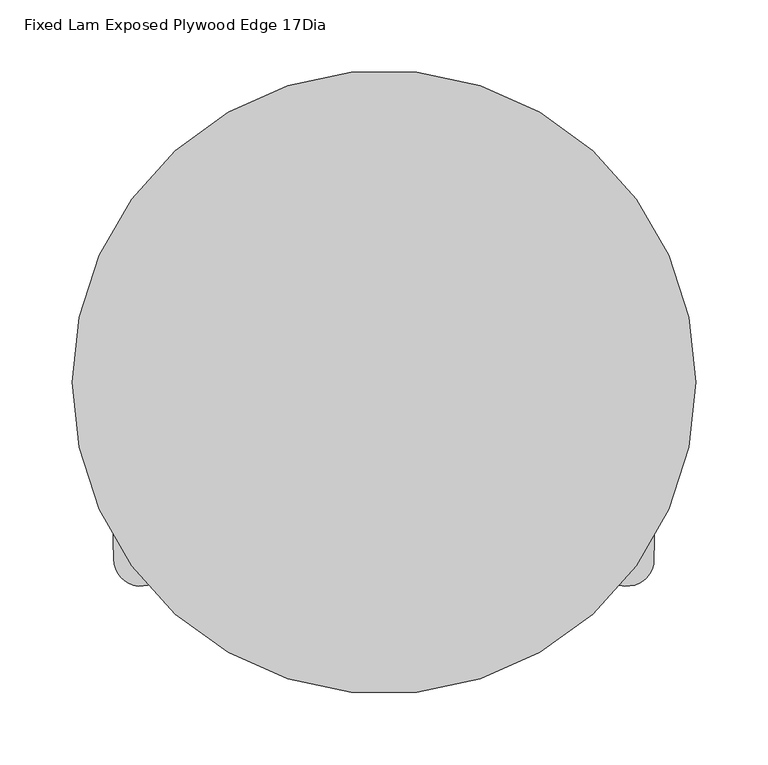
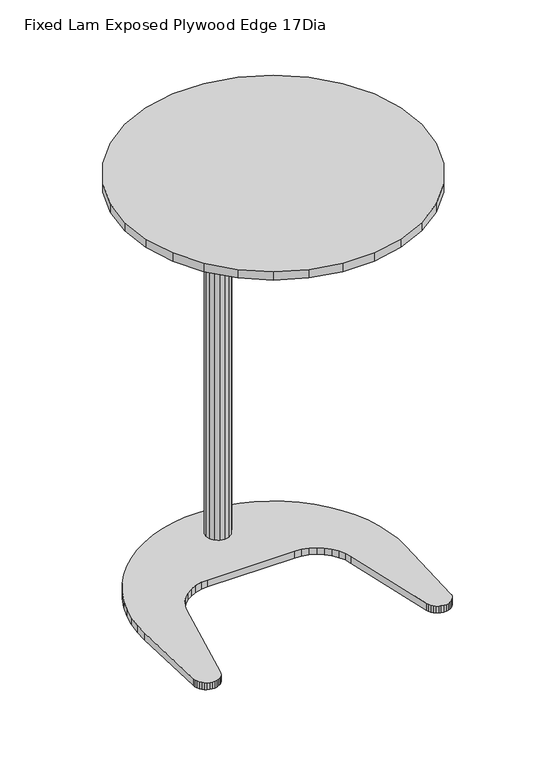
"""IFC4 building model written with IfcOpenShell, lengths in millimetres: furniture geometry, Fixed Lam Exposed Plywood Edge 17Dia."""

from ifc_helpers import new_model, si_unit, frame, origin, origin_with_axes, place, context, project, spatial, polyline, outline, extrude, source, transform, mapped, element, save


def fixed_lam_exposed_plywood_edge_17dia_f3066165(model_context):
    return source(origin(), model_context, "Body", "SweptSolid", [
        extrude(outline(polyline([(-149.8671059, -126.3234939), (-150.8992195, -129.521818), (-152.5209955, -132.5392664), (-154.6897222, -135.2420538), (-157.3189766, -137.5155615), (-160.2753551, -139.246179), (-163.4498161, -140.409362), (-166.7207647, -140.9483825), (-170.080298, -140.9617084), (-173.5167343, -140.3426509), (-176.7647555, -139.0607161), (-179.6814743, -137.2641415), (-181.992404, -135.2772922), (-184.3368587, -132.2226251), (-185.9202832, -129.1283645), (-186.8986028, -125.8453436), (-187.2867514, -122.3765601), (-190.3496821, -4.6115352), (-189.8901898, 14.2613479), (-187.6979683, 32.4082451), (-183.1783539, 52.2501283), (-177.4118091, 69.5357992), (-169.6089787, 86.8772552), (-160.1246012, 103.3056947), (-149.0664825, 118.7166454), (-136.508946, 132.9782204), (-122.3697018, 145.7873949), (-107.4059713, 157.4405354), (-91.2014099, 167.3806626), (-74.0827101, 175.6340469), (-56.2270821, 182.1176083), (-37.81398, 186.8126342), (-18.988084, 189.6780662), (0.5119749, 190.5716342), (18.9299367, 189.6762857), (37.7224772, 186.822808), (56.1368215, 182.13276), (73.9687227, 175.6445841), (91.0169372, 167.1567301), (107.071217, 157.3533859), (122.2800452, 145.7296223), (136.3462106, 133.1030038), (148.9690048, 118.821926), (160.0604881, 103.3756123), (169.5508245, 86.9104836), (177.3532916, 69.5815858), (183.3901324, 51.5615284), (187.3279371, 33.1228556), (189.7813847, 14.3179873), (190.1318357, -4.8405436), (186.9182237, -122.5865945), (186.8453009, -125.9547794), (185.7964535, -129.3312591), (184.1832889, -132.3981867), (181.7765516, -135.4621215), (179.6549861, -137.3634814), (176.7145951, -139.164398), (173.4871576, -140.4107336), (170.1668479, -140.9493999), (166.6754186, -140.9974529), (162.872691, -140.2900424), (160.0711524, -139.2664902), (157.1517448, -137.5070955), (154.558898, -135.2497659), (152.3797887, -132.5480595), (150.7550877, -129.506748), (149.7653225, -126.204951), (119.3579737, 11.0523876), (116.438373, 20.4984581), (112.0049093, 29.1621735), (106.2797683, 36.8046916), (99.3454259, 43.4445003), (91.2042077, 48.9570953), (82.3097106, 52.9223511), (72.9862836, 55.3198337), (63.1846426, 56.1296317), (-63.6836492, 56.1185223), (-72.6995166, 55.3368781), (-82.9570079, 52.6617072), (-91.2204949, 48.9240804), (-99.203783, 43.591221), (-106.3477874, 36.8361282), (-112.1441723, 29.0107065), (-116.5027907, 20.4271847), (-119.3365658, 11.2560001), (-149.8671059, -126.3234939)])), origin_with_axes(), (0.0, 0.0, 1.0), 10.4266312),
        extrude(outline(polyline([(-144.4791081, 160.4603002), (-107.9603161, 186.9927468), (-66.7231439, 205.3527271), (-22.5698524, 214.7378011), (22.5698524, 214.7378011), (66.7231439, 205.3527271), (107.9603161, 186.9927468), (144.4791081, 160.4603002), (174.6834691, 126.914964), (197.2533123, 87.8228371), (211.2022429, 44.8924224), (215.9206322, 0.0), (211.2022429, -44.8924224), (197.2533123, -87.8228371), (174.6834691, -126.914964), (144.4791081, -160.4603002), (107.9603161, -186.9927468), (66.7231439, -205.3527271), (22.5698524, -214.7378011), (-22.5698524, -214.7378011), (-66.7231439, -205.3527271), (-107.9603161, -186.9927468), (-144.4791081, -160.4603002), (-174.6834691, -126.914964), (-197.2533123, -87.8228371), (-211.2022429, -44.8924224), (-215.9206322, 0.0), (-211.2022429, 44.8924224), (-197.2533123, 87.8228371), (-174.6834691, 126.914964), (-144.4791081, 160.4603002)])), frame((0.0, 0.0, 634.9999624), z_axis=(0.0, 0.0, 1.0), x_axis=(1.0, 0.0, 0.0)), (0.0, 0.0, 1.0), 12.7000242),
        extrude(outline(polyline([(-6.6861528, 156.0789361), (0.0206552, 157.4129934), (6.7274628, 156.0789361), (12.4132196, 152.2798311), (16.2123212, 146.5940681), (17.5463888, 139.8872645), (16.2123212, 133.1804518), (12.4132196, 127.4946979), (6.7274628, 123.6955929), (0.0206552, 122.3615265), (-6.6861528, 123.6955929), (-12.3719102, 127.4946979), (-16.1710117, 133.1804518), (-17.5050782, 139.8872645), (-16.1710117, 146.5940681), (-12.3719102, 152.2798311), (-6.6861528, 156.0789361)])), frame((0.0, 0.0, 10.4266312), z_axis=(0.0, 0.0, 1.0), x_axis=(1.0, 0.0, 0.0)), (0.0, 0.0, 1.0), 619.8111219),
        extrude(outline(polyline([(-52.3319574, 170.5642074), (-27.5223004, 183.2053508), (-0.0205852, 187.5611896), (27.4811305, 183.2053508), (52.2907853, 170.5642074), (71.9798406, 150.8751476), (84.6209976, 126.0654882), (88.9768364, 98.5637694), (84.6209976, 71.0620551), (71.9798406, 46.2524003), (52.2907853, 26.563345), (27.4811305, 13.9221937), (-0.0205852, 9.5663492), (-27.5223004, 13.9221937), (-52.3319574, 26.563345), (-72.0210127, 46.2524003), (-84.6621652, 71.0620551), (-89.0180039, 98.5637694), (-84.6621652, 126.0654882), (-72.0210127, 150.8751476), (-52.3319574, 170.5642074)])), frame((0.0, 0.0, 630.2377531), z_axis=(0.0, 0.0, 1.0), x_axis=(1.0, 0.0, 0.0)), (0.0, 0.0, 1.0), 4.7622093),
    ])


if __name__ == "__main__":
    model = new_model("IFC4")
    model_context = context("Model", 3, world=origin())
    ifc_project = project(units=[si_unit("LENGTHUNIT", "METRE", prefix="MILLI")], contexts=[model_context])
    site = spatial("IfcSite", under=ifc_project)
    building = spatial("IfcBuilding", under=site)
    placement = place(None, origin())
    fixed_lam_exposed_plywood_edge_17dia_shape = fixed_lam_exposed_plywood_edge_17dia_f3066165(model_context)
    element("IfcFurniture", 1, ObjectType="Fixed Lam Exposed Plywood Edge 17Dia", at=placement, inside=building, context=model_context, shape_type="MappedRepresentation", body=[
        mapped(fixed_lam_exposed_plywood_edge_17dia_shape, transform((0.0, 0.0, 0.0), x_axis=(1.0, 0.0, 0.0), y_axis=(0.0, 1.0, 0.0), z_axis=(0.0, 0.0, 1.0))),
    ])
    save(model, "model.ifc")
